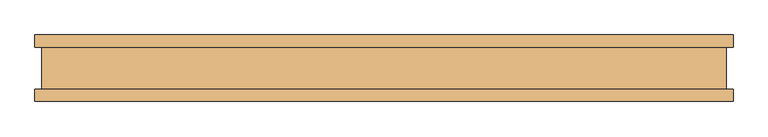
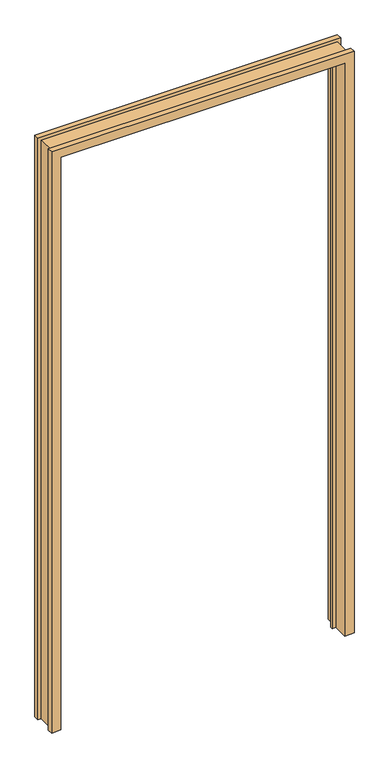
"""IFC4 building model written with IfcOpenShell, lengths in millimetres: door geometry."""

from ifc_helpers import new_model, si_unit, origin, place, context, project, spatial, faceted_brep, source, transform, mapped, element, save


def door_75225a05(model_context):
    return source(origin(), model_context, "Body", "Brep", [
        faceted_brep([(-492.2665889, -50.0254003, 0.0), (-524.9055889, -50.0254003, 0.0), (-524.9055889, -31.4833003, 0.0), (-514.2883889, -31.4833003, 0.0), (-514.2883889, 31.4833003, 0.0), (-524.9055889, 31.4833003, 0.0), (-524.9055889, 50.0254003, 0.0), (-492.2665889, 50.0254003, 0.0), (-492.2665889, 10.8710997, 0.0), (-479.3125889, 10.8710997, 0.0), (-479.3125889, 2.5906997, 0.0), (-492.2665889, 2.5906997, 0.0), (492.2665889, -50.0254003, 0.0), (492.2665889, 2.5906997, 0.0), (479.3125889, 2.5906997, 0.0), (479.3125889, 10.8710997, 0.0), (492.2665889, 10.8710997, 0.0), (492.2665889, 50.0254003, 0.0), (524.9055889, 50.0254003, 0.0), (524.9055889, 31.4833003, 0.0), (514.2883889, 31.4833003, 0.0), (514.2883889, -31.4833003, 0.0), (524.9055889, -31.4833003, 0.0), (524.9055889, -50.0254003, 0.0), (-492.2665889, 2.5906997, 2100.5725997), (-492.2665889, -50.0254003, 2100.5725997), (-479.3125889, 2.5906997, 2087.6185997), (479.3125889, 2.5906997, 2087.6185997), (492.2665889, 2.5906997, 2100.5725997), (-479.3125889, 10.8710997, 2087.6185997), (-492.2665889, 10.8710997, 2100.5725997), (492.2665889, 10.8710997, 2100.5725997), (479.3125889, 10.8710997, 2087.6185997), (-492.2665889, 50.0254003, 2100.5725997), (-524.9055889, 50.0254003, 2133.2115997), (524.9055889, 50.0254003, 2133.2115997), (492.2665889, 50.0254003, 2100.5725997), (-524.9055889, 31.4833003, 2133.2115997), (-514.2883889, 31.4833003, 2122.5943997), (514.2883889, 31.4833003, 2122.5943997), (524.9055889, 31.4833003, 2133.2115997), (-514.2883889, -31.4833003, 2122.5943997), (-524.9055889, -31.4833003, 2133.2115997), (524.9055889, -31.4833003, 2133.2115997), (514.2883889, -31.4833003, 2122.5943997), (-524.9055889, -50.0254003, 2133.2115997), (492.2665889, -50.0254003, 2100.5725997), (524.9055889, -50.0254003, 2133.2115997)], [[[0, 1, 2, 3, 4, 5, 6, 7, 8, 9, 10, 11]], [[12, 13, 14, 15, 16, 17, 18, 19, 20, 21, 22, 23]], [[11, 24, 25, 0]], [[10, 26, 27, 14, 13, 28, 24, 11]], [[9, 29, 26, 10]], [[8, 30, 31, 16, 15, 32, 29, 9]], [[7, 33, 30, 8]], [[6, 34, 35, 18, 17, 36, 33, 7]], [[5, 37, 34, 6]], [[4, 38, 39, 20, 19, 40, 37, 5]], [[3, 41, 38, 4]], [[2, 42, 43, 22, 21, 44, 41, 3]], [[1, 45, 42, 2]], [[0, 25, 46, 12, 23, 47, 45, 1]], [[24, 28, 46, 25]], [[29, 32, 27, 26]], [[33, 36, 31, 30]], [[37, 40, 35, 34]], [[41, 44, 39, 38]], [[45, 47, 43, 42]], [[28, 13, 12, 46]], [[32, 15, 14, 27]], [[36, 17, 16, 31]], [[40, 19, 18, 35]], [[44, 21, 20, 39]], [[47, 23, 22, 43]]]),
    ])


if __name__ == "__main__":
    model = new_model("IFC4")
    model_context = context("Model", 3, world=origin())
    ifc_project = project(units=[si_unit("LENGTHUNIT", "METRE", prefix="MILLI")], contexts=[model_context])
    site = spatial("IfcSite", under=ifc_project)
    building = spatial("IfcBuilding", under=site)
    placement = place(None, origin())
    door_shape = door_75225a05(model_context)
    element("IfcDoor", 1, at=placement, inside=building, context=model_context, shape_type="MappedRepresentation", body=[
        mapped(door_shape, transform((0.0, 0.0, 0.0), x_axis=(1.0, 0.0, 0.0), y_axis=(0.0, 1.0, 0.0), z_axis=(0.0, 0.0, 1.0))),
    ])
    save(model, "model.ifc")
